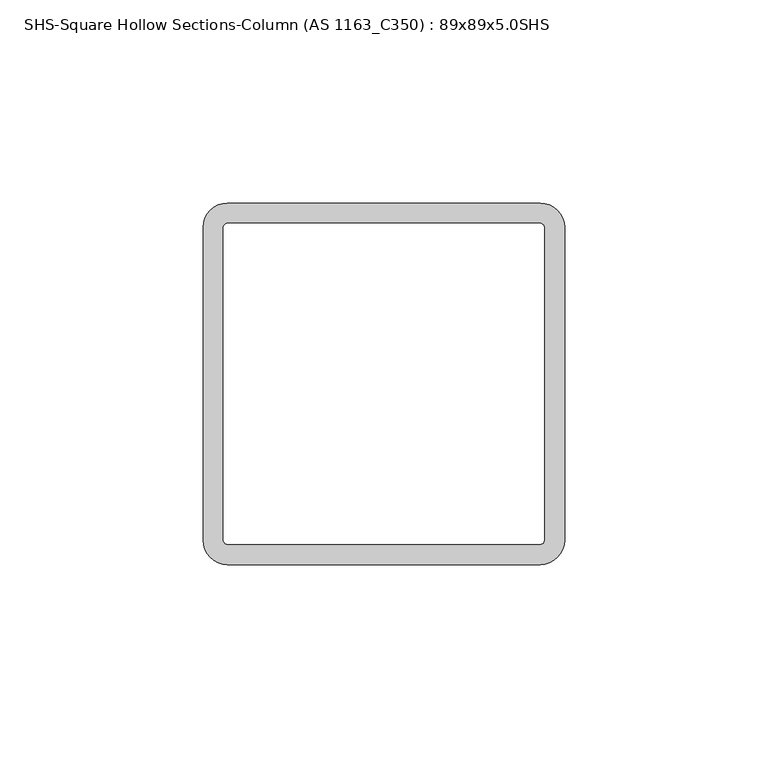
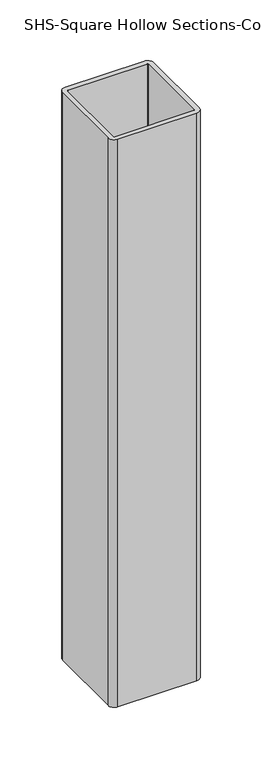
"""IFC4 building model written with IfcOpenShell, lengths in millimetres: column geometry, SHS-Square Hollow Sections-Column (AS 1163_C350) : 89x89x5.0SHS."""

from ifc_helpers import new_model, si_unit, point, frame, frame_2d, origin, place, context, project, spatial, polyline, circle_curve, trimmed, segment, composite_curve, outline, extrude, source, transform, mapped, element, save


def shs_square_hollow_sections_column_as_1163_c350_89x89x5_0shs_ea71e600(model_context):
    return source(origin(), model_context, "Body", "SweptSolid", [
        extrude(outline(composite_curve([segment(trimmed(circle_curve(frame_2d((38.5, 38.5)), 6.0), [point((38.5, 44.5))], [point((44.5, 38.5))], False, "CARTESIAN"), True, "CONTINUOUS"), segment(polyline([(44.5, 38.5), (44.5, -38.5)]), True, "CONTINUOUS"), segment(trimmed(circle_curve(frame_2d((38.5, -38.5)), 6.0), [point((44.5, -38.5))], [point((38.5, -44.5))], False, "CARTESIAN"), True, "CONTINUOUS"), segment(polyline([(38.5, -44.5), (-38.5, -44.5)]), True, "CONTINUOUS"), segment(trimmed(circle_curve(frame_2d((-38.5, -38.5)), 6.0), [point((-38.5, -44.5))], [point((-44.5, -38.5))], False, "CARTESIAN"), True, "CONTINUOUS"), segment(polyline([(-44.5, -38.5), (-44.5, 38.5)]), True, "CONTINUOUS"), segment(trimmed(circle_curve(frame_2d((-38.5, 38.5)), 6.0), [point((-44.5, 38.5))], [point((-38.5, 44.5))], False, "CARTESIAN"), True, "CONTINUOUS"), segment(polyline([(-38.5, 44.5), (38.5, 44.5)]), True, "CONTINUOUS")], self_intersect=False), holes=[composite_curve([segment(polyline([(38.5, 39.5), (-38.5, 39.5)]), True, "CONTINUOUS"), segment(trimmed(circle_curve(frame_2d((-38.5, 38.5)), 1.0), [point((-38.5, 39.5))], [point((-39.5, 38.5))], True, "CARTESIAN"), True, "CONTINUOUS"), segment(polyline([(-39.5, 38.5), (-39.5, -38.5)]), True, "CONTINUOUS"), segment(trimmed(circle_curve(frame_2d((-38.5, -38.5)), 1.0), [point((-39.5, -38.5))], [point((-38.5, -39.5))], True, "CARTESIAN"), True, "CONTINUOUS"), segment(polyline([(-38.5, -39.5), (38.5, -39.5)]), True, "CONTINUOUS"), segment(trimmed(circle_curve(frame_2d((38.5, -38.5)), 1.0), [point((38.5, -39.5))], [point((39.5, -38.5))], True, "CARTESIAN"), True, "CONTINUOUS"), segment(polyline([(39.5, -38.5), (39.5, 38.5)]), True, "CONTINUOUS"), segment(trimmed(circle_curve(frame_2d((38.5, 38.5)), 1.0), [point((39.5, 38.5))], [point((38.5, 39.5))], True, "CARTESIAN"), True, "CONTINUOUS")], self_intersect=False)]), frame((0.0, 0.0, 14.0), z_axis=(0.0, 0.0, 1.0), x_axis=(1.0, 0.0, 0.0)), (0.0, 0.0, 1.0), 586.0),
    ])


if __name__ == "__main__":
    model = new_model("IFC4")
    model_context = context("Model", 3, world=origin())
    ifc_project = project(units=[si_unit("LENGTHUNIT", "METRE", prefix="MILLI")], contexts=[model_context])
    site = spatial("IfcSite", under=ifc_project)
    building = spatial("IfcBuilding", under=site)
    placement = place(None, origin())
    shs_square_hollow_sections_column_as_1163_c350_89x89x5_0shs_shape = shs_square_hollow_sections_column_as_1163_c350_89x89x5_0shs_ea71e600(model_context)
    element("IfcColumn", 1, ObjectType="SHS-Square Hollow Sections-Column (AS 1163_C350) : 89x89x5.0SHS", at=placement, inside=building, context=model_context, shape_type="MappedRepresentation", body=[
        mapped(shs_square_hollow_sections_column_as_1163_c350_89x89x5_0shs_shape, transform((0.0, 0.0, 0.0), x_axis=(1.0, 0.0, 0.0), y_axis=(0.0, 1.0, 0.0), z_axis=(0.0, 0.0, 1.0))),
    ])
    save(model, "model.ifc")
